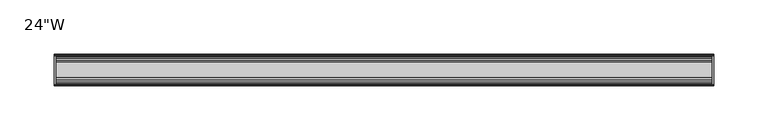
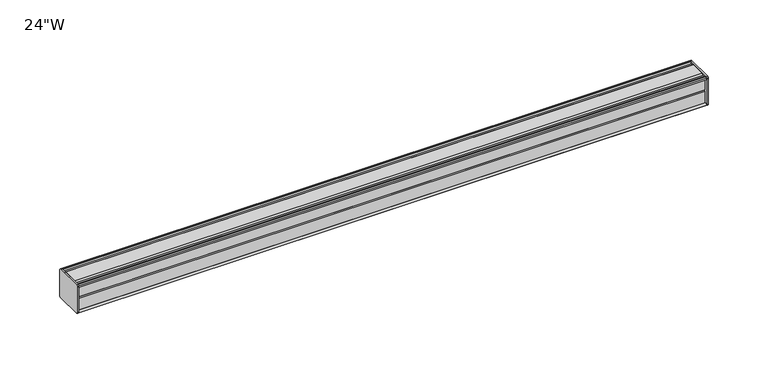
"""IFC4 building model written with IfcOpenShell, lengths in millimetres: furniture geometry."""

from ifc_helpers import new_model, si_unit, frame, origin, place, context, project, spatial, circle_curve, source, transform, mapped, element, save
from ifc_brep_helpers import plane_surface, cylinder_surface, advanced_brep


def furniture_79edb152(model_context):
    return source(origin(), model_context, "Body", "AdvancedBrep", [
        advanced_brep(
        [(303.2125, 14.5851562, 1355.5794262), (303.2125, 14.5851562, 1329.4290877), (303.2125, 14.4138595, 1328.6231997), (303.2125, 13.8374434, 1328.0467837), (303.2125, 12.9019306, 1327.7961131), (303.2125, -13.4067434, 1327.7961131), (303.2125, -14.3040014, 1328.6933711), (303.2125, -14.5851563, 1329.4617798), (303.2125, -14.5851563, 1355.3801327), (303.2125, -14.3040014, 1356.1485414), (303.2125, -13.4464303, 1357.0061125), (303.2125, 13.0500437, 1357.0061125), (303.2125, 13.8374434, 1356.7951288), (303.2125, 14.4138595, 1356.2187128), (304.8, 14.6248431, 1355.4313131), (304.8, 14.4138595, 1356.2187128), (304.8, 13.8374434, 1356.7951288), (304.8, 13.0500437, 1357.0061125), (304.8, -13.4464303, 1357.0061125), (304.8, -14.3040014, 1356.1485414), (304.8, -14.5851563, 1355.3801327), (304.8, -14.5851563, 1329.4617798), (304.8, -14.3040014, 1328.6933711), (304.8, -13.4067434, 1327.7961131), (304.8, 12.9019306, 1327.7961131), (304.8, 13.8374434, 1328.0467837), (304.8, 14.4138595, 1328.6231997), (304.8, 14.5851562, 1329.4290877)],
        [
            (0, 1),
            (1, 2),
            (2, 3),
            (3, 4),
            (4, 5),
            (5, 6),
            (6, 7, circle_curve(frame((303.2125, -13.3945313, 1329.4617798), z_axis=(-1.0, 0.0, 0.0), x_axis=(0.0, 1.0, 0.0)), 1.190625)),
            (7, 8),
            (8, 9, circle_curve(frame((303.2125, -13.3945313, 1355.3801327), z_axis=(-1.0, 0.0, 0.0), x_axis=(0.0, 1.0, 0.0)), 1.190625)),
            (9, 10),
            (10, 11),
            (11, 12),
            (12, 13),
            (13, 0),
            (14, 15),
            (15, 16),
            (16, 17),
            (17, 18),
            (18, 19),
            (19, 20, circle_curve(frame((304.8, -13.3945313, 1355.3801327), z_axis=(1.0, 0.0, 0.0), x_axis=(0.0, 1.0, 0.0)), 1.190625)),
            (20, 21),
            (21, 22, circle_curve(frame((304.8, -13.3945313, 1329.4617798), z_axis=(1.0, 0.0, 0.0), x_axis=(0.0, 1.0, 0.0)), 1.190625)),
            (22, 23),
            (23, 24),
            (24, 25),
            (25, 26),
            (26, 27),
            (27, 14),
            (13, 15),
            (14, 0),
            (12, 16),
            (11, 17),
            (10, 18),
            (9, 19),
            (8, 20),
            (7, 21),
            (6, 22),
            (5, 23),
            (4, 24),
            (3, 25),
            (2, 26),
            (1, 27),
        ],
        [
            plane_surface(frame((303.2125, 14.5851562, 1329.4290877), z_axis=(-1.0, 0.0, 0.0), x_axis=(0.0, 0.0, -1.0))),
            plane_surface(frame((304.8, 14.5851562, 1329.4290877), z_axis=(1.0, 0.0, 0.0), x_axis=(0.0, 0.0, 1.0))),
            plane_surface(frame((303.2125, 14.4138595, 1356.2187128), z_axis=(0.0, 0.9659256560349851, 0.25881968049857335), x_axis=(1.0, 0.0, 0.0))),
            plane_surface(frame((303.2125, 13.8374434, 1356.7951288), z_axis=(0.0, 0.7071067811866345, 0.7071067811864606), x_axis=(1.0, 0.0, 0.0))),
            plane_surface(frame((303.2125, 13.0500437, 1357.0061125), z_axis=(0.0, 0.2588196804711877, 0.9659256560423232), x_axis=(1.0, 0.0, 0.0))),
            plane_surface(frame((303.2125, -13.4464303, 1357.0061125), z_axis=(0.0, 0.0, 1.0), x_axis=(1.0, 0.0, 0.0))),
            plane_surface(frame((303.2125, -14.3040014, 1356.1485414), z_axis=(0.0, -0.70710678117674, 0.7071067811963553), x_axis=(1.0, 0.0, 0.0))),
            cylinder_surface(frame((304.8, -13.3945313, 1355.3801327), z_axis=(-1.0, 0.0, 0.0), x_axis=(0.0, 1.0, 0.0)), 1.190625),
            plane_surface(frame((303.2125, -14.5851563, 1329.4617798), z_axis=(0.0, -1.0, 0.0), x_axis=(1.0, 0.0, 0.0))),
            cylinder_surface(frame((304.8, -13.3945313, 1329.4617798), z_axis=(-1.0, 0.0, 0.0), x_axis=(0.0, 1.0, 0.0)), 1.190625),
            plane_surface(frame((303.2125, -13.4067434, 1327.7961131), z_axis=(0.0, -0.7071067811916553, -0.7071067811814398), x_axis=(1.0, 0.0, 0.0))),
            plane_surface(frame((303.2125, 12.9019306, 1327.7961131), z_axis=(0.0, 0.0, -1.0), x_axis=(1.0, 0.0, 0.0))),
            plane_surface(frame((303.2125, 13.8374434, 1328.0467837), z_axis=(0.0, 0.2588196804985645, -0.9659256560349875), x_axis=(1.0, 0.0, 0.0))),
            plane_surface(frame((303.2125, 14.4138595, 1328.6231997), z_axis=(0.0, 0.7071067811865204, -0.7071067811865748), x_axis=(1.0, 0.0, 0.0))),
            plane_surface(frame((303.2125, 14.5851562, 1329.4290877), z_axis=(0.0, 0.9781476007310527, -0.207911690830711), x_axis=(1.0, 0.0, 0.0))),
            plane_surface(frame((303.2125, 14.5851562, 1355.5794262), z_axis=(0.0, 1.0, 0.0), x_axis=(1.0, 0.0, 0.0))),
        ],
        [
            (0, [[1, 2, 3, 4, 5, 6, 7, 8, 9, 10, 11, 12, 13, 14]]),
            (1, [[15, 16, 17, 18, 19, 20, 21, 22, 23, 24, 25, 26, 27, 28]]),
            (2, [[-14, 29, -15, 30]]),
            (3, [[-13, 31, -16, -29]]),
            (4, [[-12, 32, -17, -31]]),
            (5, [[-11, 33, -18, -32]]),
            (6, [[-10, 34, -19, -33]]),
            (7, [[-9, 35, -20, -34]]),
            (8, [[-8, 36, -21, -35]]),
            (9, [[-7, 37, -22, -36]]),
            (10, [[-6, 38, -23, -37]]),
            (11, [[-5, 39, -24, -38]]),
            (12, [[-4, 40, -25, -39]]),
            (13, [[-3, 41, -26, -40]]),
            (14, [[-2, 42, -27, -41]]),
            (15, [[-1, -30, -28, -42]]),
        ],
    ),
        advanced_brep(
        [(-303.2125, 14.6248431, 1355.4313131), (-303.2125, 14.4138595, 1356.2187128), (-303.2125, 13.8374434, 1356.7951288), (-303.2125, 13.0500437, 1357.0061125), (-303.2125, -13.4464303, 1357.0061125), (-303.2125, -14.3040014, 1356.1485414), (-303.2125, -14.5851563, 1355.3801327), (-303.2125, -14.5851563, 1329.4617798), (-303.2125, -14.3040014, 1328.6933711), (-303.2125, -13.4067434, 1327.7961131), (-303.2125, 12.9019306, 1327.7961131), (-303.2125, 13.8374434, 1328.0467837), (-303.2125, 14.4138595, 1328.6231997), (-303.2125, 14.5851562, 1329.4290877), (-304.8, 14.5851562, 1355.5794262), (-304.8, 14.5851562, 1329.4290877), (-304.8, 14.4138595, 1328.6231997), (-304.8, 13.8374434, 1328.0467837), (-304.8, 12.9019306, 1327.7961131), (-304.8, -13.4067434, 1327.7961131), (-304.8, -14.3040014, 1328.6933711), (-304.8, -14.5851563, 1329.4617798), (-304.8, -14.5851563, 1355.3801327), (-304.8, -14.3040014, 1356.1485414), (-304.8, -13.4464303, 1357.0061125), (-304.8, 13.0500437, 1357.0061125), (-304.8, 13.8374434, 1356.7951288), (-304.8, 14.4138595, 1356.2187128)],
        [
            (0, 1),
            (1, 2),
            (2, 3),
            (3, 4),
            (4, 5),
            (5, 6, circle_curve(frame((-303.2125, -13.3945313, 1355.3801327), z_axis=(1.0, 0.0, 0.0), x_axis=(0.0, 1.0, 0.0)), 1.190625)),
            (6, 7),
            (7, 8, circle_curve(frame((-303.2125, -13.3945313, 1329.4617798), z_axis=(1.0, 0.0, 0.0), x_axis=(0.0, 1.0, 0.0)), 1.190625)),
            (8, 9),
            (9, 10),
            (10, 11),
            (11, 12),
            (12, 13),
            (13, 0),
            (14, 15),
            (15, 16),
            (16, 17),
            (17, 18),
            (18, 19),
            (19, 20),
            (20, 21, circle_curve(frame((-304.8, -13.3945313, 1329.4617798), z_axis=(-1.0, 0.0, 0.0), x_axis=(0.0, 1.0, 0.0)), 1.190625)),
            (21, 22),
            (22, 23, circle_curve(frame((-304.8, -13.3945313, 1355.3801327), z_axis=(-1.0, 0.0, 0.0), x_axis=(0.0, 1.0, 0.0)), 1.190625)),
            (23, 24),
            (24, 25),
            (25, 26),
            (26, 27),
            (27, 14),
            (0, 14),
            (27, 1),
            (26, 2),
            (25, 3),
            (24, 4),
            (23, 5),
            (22, 6),
            (21, 7),
            (20, 8),
            (19, 9),
            (18, 10),
            (17, 11),
            (16, 12),
            (15, 13),
        ],
        [
            plane_surface(frame((-303.2125, 14.6248431, 1355.4313131), z_axis=(1.0, 0.0, 0.0), x_axis=(0.0, -0.2588196804390474, 0.965925656050935))),
            plane_surface(frame((-304.8, 14.6248431, 1355.4313131), z_axis=(-1.0, 0.0, 0.0), x_axis=(0.0, 0.2588196804390474, -0.965925656050935))),
            plane_surface(frame((-303.2125, 14.6248431, 1355.4313131), z_axis=(0.0, 0.965925656050935, 0.2588196804390474), x_axis=(-1.0, 0.0, 0.0))),
            plane_surface(frame((-303.2125, 14.4138595, 1356.2187128), z_axis=(0.0, 0.7071067810676273, 0.7071067813054679), x_axis=(-1.0, 0.0, 0.0))),
            plane_surface(frame((-303.2125, 13.8374434, 1356.7951288), z_axis=(0.0, 0.25881968048355775, 0.9659256560390086), x_axis=(-1.0, 0.0, 0.0))),
            plane_surface(frame((-303.2125, 13.0500437, 1357.0061125), z_axis=(0.0, 0.0, 1.0), x_axis=(-1.0, 0.0, 0.0))),
            plane_surface(frame((-303.2125, -13.4464303, 1357.0061125), z_axis=(0.0, -0.7071067811880228, 0.7071067811850722), x_axis=(-1.0, 0.0, 0.0))),
            cylinder_surface(frame((-304.8, -13.3945313, 1355.3801327), z_axis=(1.0, 0.0, 0.0), x_axis=(0.0, 1.0, 0.0)), 1.190625),
            plane_surface(frame((-303.2125, -14.5851563, 1355.3801327), z_axis=(0.0, -1.0, 0.0), x_axis=(-1.0, 0.0, 0.0))),
            cylinder_surface(frame((-304.8, -13.3945313, 1329.4617798), z_axis=(1.0, 0.0, 0.0), x_axis=(0.0, 1.0, 0.0)), 1.190625),
            plane_surface(frame((-303.2125, -14.3040014, 1328.6933711), z_axis=(0.0, -0.7071067811865317, -0.7071067811865633), x_axis=(-1.0, 0.0, 0.0))),
            plane_surface(frame((-303.2125, -13.4067434, 1327.7961131), z_axis=(0.0, 0.0, -1.0), x_axis=(-1.0, 0.0, 0.0))),
            plane_surface(frame((-303.2125, 12.9019306, 1327.7961131), z_axis=(0.0, 0.25881968049856513, -0.9659256560349874), x_axis=(-1.0, 0.0, 0.0))),
            plane_surface(frame((-303.2125, 13.8374434, 1328.0467837), z_axis=(0.0, 0.707106781186519, -0.7071067811865761), x_axis=(-1.0, 0.0, 0.0))),
            plane_surface(frame((-303.2125, 14.4138595, 1328.6231997), z_axis=(0.0, 0.9781476007314348, -0.20791169082891317), x_axis=(-1.0, 0.0, 0.0))),
            plane_surface(frame((-303.2125, 14.5851562, 1329.4290877), z_axis=(0.0, 1.0, 0.0), x_axis=(-1.0, 0.0, 0.0))),
        ],
        [
            (0, [[1, 2, 3, 4, 5, 6, 7, 8, 9, 10, 11, 12, 13, 14]]),
            (1, [[15, 16, 17, 18, 19, 20, 21, 22, 23, 24, 25, 26, 27, 28]]),
            (2, [[-1, 29, -28, 30]]),
            (3, [[-2, -30, -27, 31]]),
            (4, [[-3, -31, -26, 32]]),
            (5, [[-4, -32, -25, 33]]),
            (6, [[-5, -33, -24, 34]]),
            (7, [[-6, -34, -23, 35]]),
            (8, [[-7, -35, -22, 36]]),
            (9, [[-8, -36, -21, 37]]),
            (10, [[-9, -37, -20, 38]]),
            (11, [[-10, -38, -19, 39]]),
            (12, [[-11, -39, -18, 40]]),
            (13, [[-12, -40, -17, 41]]),
            (14, [[-13, -41, -16, 42]]),
            (15, [[-14, -42, -15, -29]]),
        ],
    ),
        advanced_brep(
        [(303.2125, -7.3748315, 1357.0061125), (303.2125, -8.9105708, 1355.9753796), (303.2125, -10.7601399, 1355.9753796), (303.2125, -12.2958792, 1357.0061125), (303.2125, -13.4464303, 1357.0061125), (303.2125, -14.3040014, 1356.1485414), (303.2125, -13.3945313, 1354.1895077), (303.2125, -13.3945313, 1355.101112), (303.2125, -12.2039063, 1355.101112), (303.2125, -12.2039063, 1343.1948632), (303.2125, -11.4101564, 1342.4011134), (303.2125, -12.2039063, 1341.6073636), (303.2125, -12.2039063, 1329.7011131), (303.2125, -13.3945313, 1329.7011131), (303.2125, -13.3945313, 1330.6524048), (303.2125, -14.3040014, 1328.6933711), (303.2125, -13.4067434, 1327.7961131), (303.2125, -12.2958792, 1327.7961131), (303.2125, -10.7601399, 1328.8268471), (303.2125, -8.9105708, 1328.8268471), (303.2125, -7.4339628, 1327.8358), (303.2125, 7.4145184, 1327.8358), (303.2125, 8.9502576, 1328.8665329), (303.2125, 10.7998291, 1328.8665329), (303.2125, 12.2275037, 1327.8358), (303.2125, 13.0500437, 1327.8358), (303.2125, 13.8374434, 1328.0467837), (303.2125, 14.4138595, 1328.6231997), (303.2125, 14.5851562, 1329.4290877), (303.2125, 14.5851562, 1355.5794262), (303.2125, 14.4138595, 1356.2187128), (303.2125, 13.8374434, 1356.7951288), (303.2125, 13.0500437, 1357.0061125), (303.2125, 12.2275037, 1357.0061125), (303.2125, 10.7998291, 1355.9753796), (303.2125, 8.9502576, 1355.9753796), (303.2125, 7.4145184, 1357.0061125), (-303.2125, -7.3748315, 1357.0061125), (-303.2125, 7.4145184, 1357.0061125), (-303.2125, 8.9502576, 1355.9753796), (-303.2125, 10.7998291, 1355.9753796), (-303.2125, 12.2275037, 1357.0061125), (-303.2125, 13.0500437, 1357.0061125), (-303.2125, 13.8374434, 1356.7951288), (-303.2125, 14.4138595, 1356.2187128), (-303.2125, 14.6248431, 1355.4313131), (-303.2125, 14.5851562, 1329.4290877), (-303.2125, 14.4138595, 1328.6231997), (-303.2125, 13.8374434, 1328.0467837), (-303.2125, 13.0500437, 1327.8358), (-303.2125, 12.2275037, 1327.8358), (-303.2125, 10.7998291, 1328.8665329), (-303.2125, 8.9502576, 1328.8665329), (-303.2125, 7.4145184, 1327.8358), (-303.2125, -7.4339628, 1327.8358), (-303.2125, -8.9105708, 1328.8268471), (-303.2125, -10.7601399, 1328.8268471), (-303.2125, -12.2958792, 1327.7961131), (-303.2125, -13.4067434, 1327.7961131), (-303.2125, -14.3040014, 1328.6933711), (-303.2125, -13.3945313, 1330.6524048), (-303.2125, -13.3945313, 1329.7011131), (-303.2125, -12.2039063, 1329.7011131), (-303.2125, -12.2039063, 1341.6073636), (-303.2125, -11.4101564, 1342.4011134), (-303.2125, -12.2039063, 1343.1948632), (-303.2125, -12.2039063, 1355.101112), (-303.2125, -13.3945313, 1355.101112), (-303.2125, -13.3945313, 1354.1895077), (-303.2125, -14.3040014, 1356.1485414), (-303.2125, -13.4464303, 1357.0061125), (-303.2125, -12.2958792, 1357.0061125), (-303.2125, -10.7601399, 1355.9753796), (-303.2125, -8.9105708, 1355.9753796)],
        [
            (0, 1),
            (1, 2),
            (2, 3),
            (3, 4),
            (4, 5),
            (5, 6, circle_curve(frame((303.2125, -13.3945313, 1355.3801327), z_axis=(1.0, 0.0, 0.0), x_axis=(0.0, 1.0, 0.0)), 1.190625)),
            (6, 7),
            (7, 8),
            (8, 9),
            (9, 10),
            (10, 11),
            (11, 12),
            (12, 13),
            (13, 14),
            (14, 15, circle_curve(frame((303.2125, -13.3945313, 1329.4617798), z_axis=(1.0, 0.0, 0.0), x_axis=(0.0, 1.0, 0.0)), 1.190625)),
            (15, 16),
            (16, 17),
            (17, 18),
            (18, 19),
            (19, 20),
            (20, 21),
            (21, 22),
            (22, 23),
            (23, 24),
            (24, 25),
            (25, 26),
            (26, 27),
            (27, 28),
            (28, 29),
            (29, 30),
            (30, 31),
            (31, 32),
            (32, 33),
            (33, 34),
            (34, 35),
            (35, 36),
            (36, 0),
            (37, 38),
            (38, 39),
            (39, 40),
            (40, 41),
            (41, 42),
            (42, 43),
            (43, 44),
            (44, 45),
            (45, 46),
            (46, 47),
            (47, 48),
            (48, 49),
            (49, 50),
            (50, 51),
            (51, 52),
            (52, 53),
            (53, 54),
            (54, 55),
            (55, 56),
            (56, 57),
            (57, 58),
            (58, 59),
            (59, 60, circle_curve(frame((-303.2125, -13.3945313, 1329.4617798), z_axis=(-1.0, 0.0, 0.0), x_axis=(0.0, 1.0, 0.0)), 1.190625)),
            (60, 61),
            (61, 62),
            (62, 63),
            (63, 64),
            (64, 65),
            (65, 66),
            (66, 67),
            (67, 68),
            (68, 69, circle_curve(frame((-303.2125, -13.3945313, 1355.3801327), z_axis=(-1.0, 0.0, 0.0), x_axis=(0.0, 1.0, 0.0)), 1.190625)),
            (69, 70),
            (70, 71),
            (71, 72),
            (72, 73),
            (73, 37),
            (0, 37),
            (73, 1),
            (72, 2),
            (71, 3),
            (70, 4),
            (69, 5),
            (68, 6),
            (67, 7),
            (66, 8),
            (65, 9),
            (64, 10),
            (63, 11),
            (62, 12),
            (61, 13),
            (60, 14),
            (59, 15),
            (58, 16),
            (57, 17),
            (56, 18),
            (55, 19),
            (54, 20),
            (53, 21),
            (52, 22),
            (51, 23),
            (50, 24),
            (49, 25),
            (48, 26),
            (47, 27),
            (46, 28),
            (45, 29),
            (44, 30),
            (43, 31),
            (42, 32),
            (41, 33),
            (40, 34),
            (39, 35),
            (38, 36),
        ],
        [
            plane_surface(frame((303.2125, -7.3748315, 1357.0061125), z_axis=(1.0, 0.0, 0.0), x_axis=(0.0, -0.8303227972604666, -0.5572827400427488))),
            plane_surface(frame((-303.2125, -7.3748315, 1357.0061125), z_axis=(-1.0, 0.0, 0.0), x_axis=(0.0, 0.8303227972604666, 0.5572827400427488))),
            plane_surface(frame((303.2125, -7.3748315, 1357.0061125), z_axis=(0.0, -0.5572827400427488, 0.8303227972604666), x_axis=(-1.0, 0.0, 0.0))),
            plane_surface(frame((303.2125, -8.9105708, 1355.9753796), z_axis=(0.0, 0.0, 1.0), x_axis=(-1.0, 0.0, 0.0))),
            plane_surface(frame((303.2125, -10.7601399, 1355.9753796), z_axis=(0.0, 0.5572827400427491, 0.8303227972604665), x_axis=(-1.0, 0.0, 0.0))),
            plane_surface(frame((303.2125, -12.2958792, 1357.0061125), z_axis=(0.0, 0.0, 1.0), x_axis=(-1.0, 0.0, 0.0))),
            plane_surface(frame((303.2125, -13.4464303, 1357.0061125), z_axis=(0.0, -0.7071067811810978, 0.7071067811919972), x_axis=(-1.0, 0.0, 0.0))),
            cylinder_surface(frame((-303.2125, -13.3945313, 1355.3801327), z_axis=(1.0, 0.0, 0.0), x_axis=(0.0, 1.0, 0.0)), 1.190625),
            plane_surface(frame((303.2125, -13.3945313, 1354.1895077), z_axis=(0.0, 1.0, 0.0), x_axis=(-1.0, 0.0, 0.0))),
            plane_surface(frame((303.2125, -13.3945313, 1355.101112), z_axis=(0.0, 0.0, -1.0), x_axis=(-1.0, 0.0, 0.0))),
            plane_surface(frame((303.2125, -12.2039063, 1355.101112), z_axis=(0.0, -1.0, 0.0), x_axis=(-1.0, 0.0, 0.0))),
            plane_surface(frame((303.2125, -12.2039063, 1343.1948632), z_axis=(0.0, -0.7071067811865155, -0.7071067811865795), x_axis=(-1.0, 0.0, 0.0))),
            plane_surface(frame((303.2125, -11.4101564, 1342.4011134), z_axis=(0.0, -0.7071067811865522, 0.7071067811865428), x_axis=(-1.0, 0.0, 0.0))),
            plane_surface(frame((303.2125, -12.2039063, 1341.6073636), z_axis=(0.0, -1.0, 0.0), x_axis=(-1.0, 0.0, 0.0))),
            plane_surface(frame((303.2125, -12.2039063, 1329.7011131), z_axis=(0.0, 0.0, 1.0), x_axis=(-1.0, 0.0, 0.0))),
            plane_surface(frame((303.2125, -13.3945313, 1329.7011131), z_axis=(0.0, 1.0, 0.0), x_axis=(-1.0, 0.0, 0.0))),
            cylinder_surface(frame((-303.2125, -13.3945313, 1329.4617798), z_axis=(1.0, 0.0, 0.0), x_axis=(0.0, 1.0, 0.0)), 1.190625),
            plane_surface(frame((303.2125, -14.3040014, 1328.6933711), z_axis=(0.0, -0.7071067811865892, -0.7071067811865058), x_axis=(-1.0, 0.0, 0.0))),
            plane_surface(frame((303.2125, -13.4067434, 1327.7961131), z_axis=(0.0, 0.0, -1.0), x_axis=(-1.0, 0.0, 0.0))),
            plane_surface(frame((303.2125, -12.2958792, 1327.7961131), z_axis=(0.0, 0.5572831632988446, -0.8303225131860712), x_axis=(-1.0, 0.0, 0.0))),
            plane_surface(frame((303.2125, -10.7601399, 1328.8268471), z_axis=(0.0, 0.0, -1.0), x_axis=(-1.0, 0.0, 0.0))),
            plane_surface(frame((303.2125, -8.9105708, 1328.8268471), z_axis=(0.0, -0.5572831633038827, -0.8303225131826898), x_axis=(-1.0, 0.0, 0.0))),
            plane_surface(frame((303.2125, -7.4339628, 1327.8358), z_axis=(0.0, 0.0, -1.0), x_axis=(-1.0, 0.0, 0.0))),
            plane_surface(frame((303.2125, 7.4145184, 1327.8358), z_axis=(0.0, 0.5572827400524372, -0.8303227972539643), x_axis=(-1.0, 0.0, 0.0))),
            plane_surface(frame((303.2125, 8.9502576, 1328.8665329), z_axis=(0.0, 0.0, -1.0), x_axis=(-1.0, 0.0, 0.0))),
            plane_surface(frame((303.2125, 10.7998291, 1328.8665329), z_axis=(0.0, -0.5853541342124147, -0.8107777362264177), x_axis=(-1.0, 0.0, 0.0))),
            plane_surface(frame((303.2125, 12.2275037, 1327.8358), z_axis=(0.0, 0.0, -1.0), x_axis=(-1.0, 0.0, 0.0))),
            plane_surface(frame((303.2125, 13.0500437, 1327.8358), z_axis=(0.0, 0.2588196804985639, -0.9659256560349877), x_axis=(-1.0, 0.0, 0.0))),
            plane_surface(frame((303.2125, 13.8374434, 1328.0467837), z_axis=(0.0, 0.7071067811865592, -0.7071067811865358), x_axis=(-1.0, 0.0, 0.0))),
            plane_surface(frame((303.2125, 14.4138595, 1328.6231997), z_axis=(0.0, 0.9781476007314349, -0.20791169082891267), x_axis=(-1.0, 0.0, 0.0))),
            plane_surface(frame((303.2125, 14.5851562, 1329.4290877), z_axis=(0.0, 1.0, 0.0), x_axis=(-1.0, 0.0, 0.0))),
            plane_surface(frame((303.2125, 14.6248431, 1355.4313131), z_axis=(0.0, 0.9659256560510463, 0.25881968043863257), x_axis=(-1.0, 0.0, 0.0))),
            plane_surface(frame((303.2125, 14.4138595, 1356.2187128), z_axis=(0.0, 0.707106781066662, 0.707106781306433), x_axis=(-1.0, 0.0, 0.0))),
            plane_surface(frame((303.2125, 13.8374434, 1356.7951288), z_axis=(0.0, 0.25881968048369114, 0.9659256560389728), x_axis=(-1.0, 0.0, 0.0))),
            plane_surface(frame((303.2125, 13.0500437, 1357.0061125), z_axis=(0.0, 0.0, 1.0), x_axis=(-1.0, 0.0, 0.0))),
            plane_surface(frame((303.2125, 12.2275037, 1357.0061125), z_axis=(0.0, -0.5853541342075637, 0.8107777362299199), x_axis=(-1.0, 0.0, 0.0))),
            plane_surface(frame((303.2125, 10.7998291, 1355.9753796), z_axis=(0.0, 0.0, 1.0), x_axis=(-1.0, 0.0, 0.0))),
            plane_surface(frame((303.2125, 8.9502576, 1355.9753796), z_axis=(0.0, 0.5572827400427491, 0.8303227972604665), x_axis=(-1.0, 0.0, 0.0))),
            plane_surface(frame((303.2125, 7.4145184, 1357.0061125), z_axis=(0.0, 0.0, 1.0), x_axis=(-1.0, 0.0, 0.0))),
        ],
        [
            (0, [[1, 2, 3, 4, 5, 6, 7, 8, 9, 10, 11, 12, 13, 14, 15, 16, 17, 18, 19, 20, 21, 22, 23, 24, 25, 26, 27, 28, 29, 30, 31, 32, 33, 34, 35, 36, 37]]),
            (1, [[38, 39, 40, 41, 42, 43, 44, 45, 46, 47, 48, 49, 50, 51, 52, 53, 54, 55, 56, 57, 58, 59, 60, 61, 62, 63, 64, 65, 66, 67, 68, 69, 70, 71, 72, 73, 74]]),
            (2, [[-1, 75, -74, 76]]),
            (3, [[-2, -76, -73, 77]]),
            (4, [[-3, -77, -72, 78]]),
            (5, [[-4, -78, -71, 79]]),
            (6, [[-5, -79, -70, 80]]),
            (7, [[-6, -80, -69, 81]]),
            (8, [[-7, -81, -68, 82]]),
            (9, [[-8, -82, -67, 83]]),
            (10, [[-9, -83, -66, 84]]),
            (11, [[-10, -84, -65, 85]]),
            (12, [[-11, -85, -64, 86]]),
            (13, [[-12, -86, -63, 87]]),
            (14, [[-13, -87, -62, 88]]),
            (15, [[-14, -88, -61, 89]]),
            (16, [[-15, -89, -60, 90]]),
            (17, [[-16, -90, -59, 91]]),
            (18, [[-17, -91, -58, 92]]),
            (19, [[-18, -92, -57, 93]]),
            (20, [[-19, -93, -56, 94]]),
            (21, [[-20, -94, -55, 95]]),
            (22, [[-21, -95, -54, 96]]),
            (23, [[-22, -96, -53, 97]]),
            (24, [[-23, -97, -52, 98]]),
            (25, [[-24, -98, -51, 99]]),
            (26, [[-25, -99, -50, 100]]),
            (27, [[-26, -100, -49, 101]]),
            (28, [[-27, -101, -48, 102]]),
            (29, [[-28, -102, -47, 103]]),
            (30, [[-29, -103, -46, 104]]),
            (31, [[-30, -104, -45, 105]]),
            (32, [[-31, -105, -44, 106]]),
            (33, [[-32, -106, -43, 107]]),
            (34, [[-33, -107, -42, 108]]),
            (35, [[-34, -108, -41, 109]]),
            (36, [[-35, -109, -40, 110]]),
            (37, [[-36, -110, -39, 111]]),
            (38, [[-37, -111, -38, -75]]),
        ],
    ),
    ])


if __name__ == "__main__":
    model = new_model("IFC4")
    model_context = context("Model", 3, world=origin())
    ifc_project = project(units=[si_unit("LENGTHUNIT", "METRE", prefix="MILLI")], contexts=[model_context])
    site = spatial("IfcSite", under=ifc_project)
    building = spatial("IfcBuilding", under=site)
    placement = place(None, origin())
    furniture_shape = furniture_79edb152(model_context)
    element("IfcFurniture", 1, ObjectType="24\"W", at=placement, inside=building, context=model_context, shape_type="MappedRepresentation", body=[
        mapped(furniture_shape, transform((0.0, 0.0, 0.0), x_axis=(1.0, 0.0, 0.0), y_axis=(0.0, 1.0, 0.0), z_axis=(0.0, 0.0, 1.0))),
    ])
    save(model, "model.ifc")
